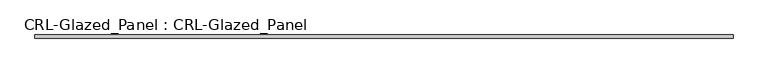
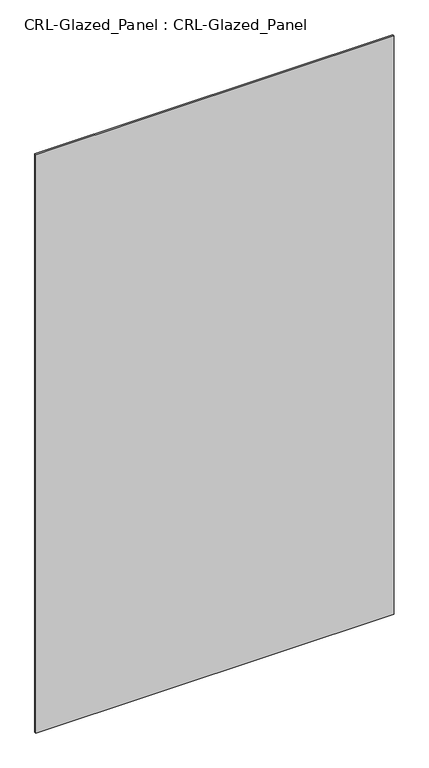
"""IFC4 building model written with IfcOpenShell, lengths in millimetres: plate geometry, CRL-Glazed_Panel : CRL-Glazed_Panel."""

from ifc_helpers import new_model, si_unit, origin, origin_with_axes, place, context, project, spatial, polyline, outline, extrude, source, transform, mapped, element, save


def crl_glazed_panel_crl_glazed_panel_c4624ca5(model_context):
    return source(origin(), model_context, "Body", "SweptSolid", [
        extrude(outline(polyline([(624.9458262, 3.1749999), (624.9458262, -3.1749999), (-624.9458262, -3.1749999), (-624.9458262, 3.1749999), (624.9458262, 3.1749999)])), origin_with_axes(), (0.0, 0.0, 1.0), 2133.9549652),
    ])


if __name__ == "__main__":
    model = new_model("IFC4")
    model_context = context("Model", 3, world=origin())
    ifc_project = project(units=[si_unit("LENGTHUNIT", "METRE", prefix="MILLI")], contexts=[model_context])
    site = spatial("IfcSite", under=ifc_project)
    building = spatial("IfcBuilding", under=site)
    placement = place(None, origin())
    crl_glazed_panel_crl_glazed_panel_shape = crl_glazed_panel_crl_glazed_panel_c4624ca5(model_context)
    element("IfcPlate", 1, ObjectType="CRL-Glazed_Panel : CRL-Glazed_Panel", at=placement, inside=building, context=model_context, shape_type="MappedRepresentation", body=[
        mapped(crl_glazed_panel_crl_glazed_panel_shape, transform((0.0, 0.0, 0.0), x_axis=(1.0, 0.0, 0.0), y_axis=(0.0, 1.0, 0.0), z_axis=(0.0, 0.0, 1.0))),
    ])
    save(model, "model.ifc")
